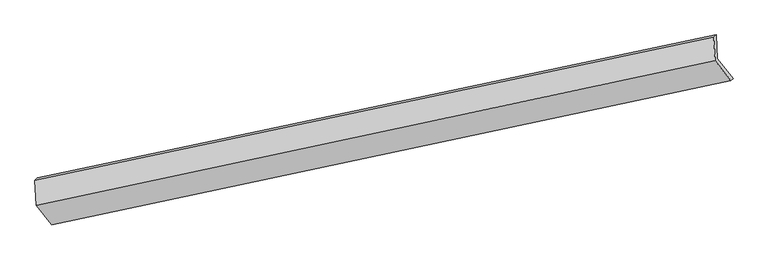
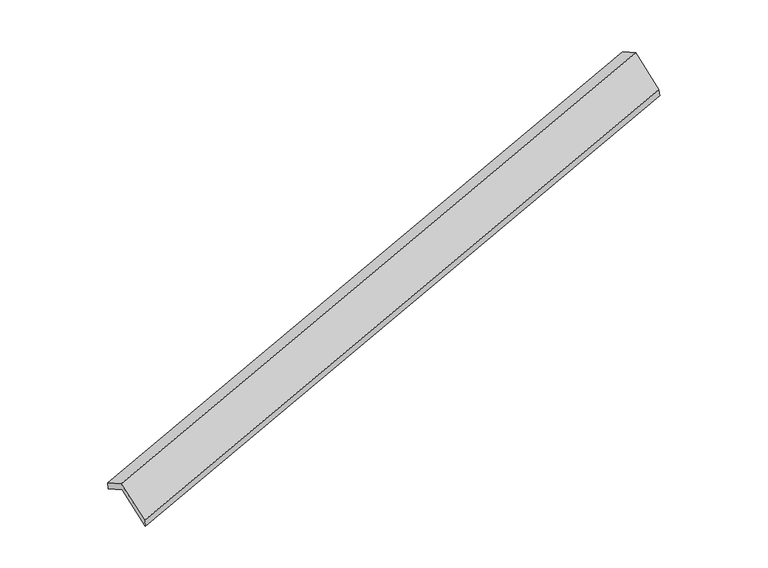
"""IFC4 building model written with IfcOpenShell, lengths in millimetres: proxy geometry."""

from ifc_helpers import new_model, si_unit, origin, place, context, project, spatial, faceted_brep, source, transform, mapped, element, save


def generic_models_a00e649a(model_context):
    return source(origin(), model_context, "Body", "Brep", [
        faceted_brep([(-8392.1269535, -2678.5457004, 496.8049528), (-8413.6106174, -2276.4122959, 281.5578381), (2532.4468883, 37.4221208, 3554.2667084), (2552.9895709, -347.0978998, 3760.0860311), (-8450.6977696, -2315.8508026, 434.0096156), (2495.3597361, -2.016386, 3706.7184858), (-8429.4865192, -2712.8851421, 646.5273896), (2515.6300051, -381.4373415, 3909.8084679), (-8177.0866263, -3030.6412077, 27.6907415), (2768.0298981, -699.1934071, 3290.9718198), (-8139.3976495, -2996.7164743, -122.8393485), (2805.7188748, -665.2686737, 3140.4417297)], [[[0, 1, 2, 3]], [[1, 4, 5, 2]], [[4, 6, 7, 5]], [[6, 8, 9, 7]], [[8, 10, 11, 9]], [[10, 0, 3, 11]], [[9, 11, 3, 2, 5, 7]], [[0, 10, 8, 6, 4, 1]]]),
    ])


if __name__ == "__main__":
    model = new_model("IFC4")
    model_context = context("Model", 3, world=origin())
    ifc_project = project(units=[si_unit("LENGTHUNIT", "METRE", prefix="MILLI")], contexts=[model_context])
    site = spatial("IfcSite", under=ifc_project)
    building = spatial("IfcBuilding", under=site)
    placement = place(None, origin())
    generic_models_shape = generic_models_a00e649a(model_context)
    element("IfcBuildingElementProxy", 1, Name="Generic Models", at=placement, inside=building, context=model_context, shape_type="MappedRepresentation", body=[
        mapped(generic_models_shape, transform((0.0, 0.0, 0.0), x_axis=(1.0, 0.0, 0.0), y_axis=(0.0, 1.0, 0.0), z_axis=(0.0, 0.0, 1.0))),
    ])
    save(model, "model.ifc")
